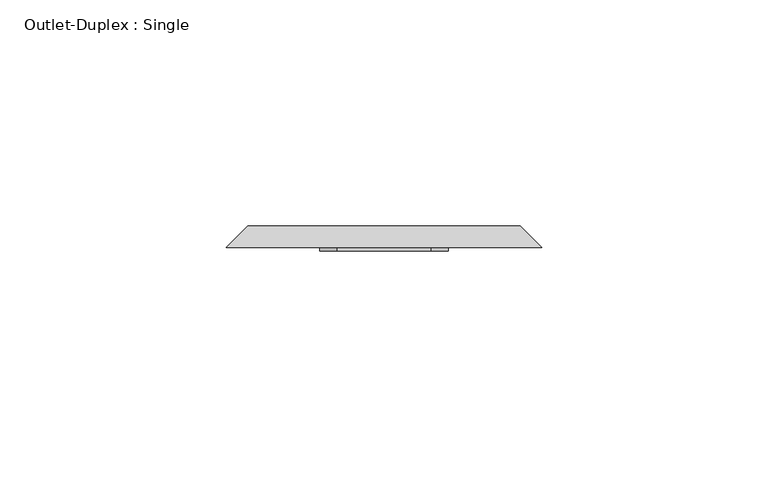
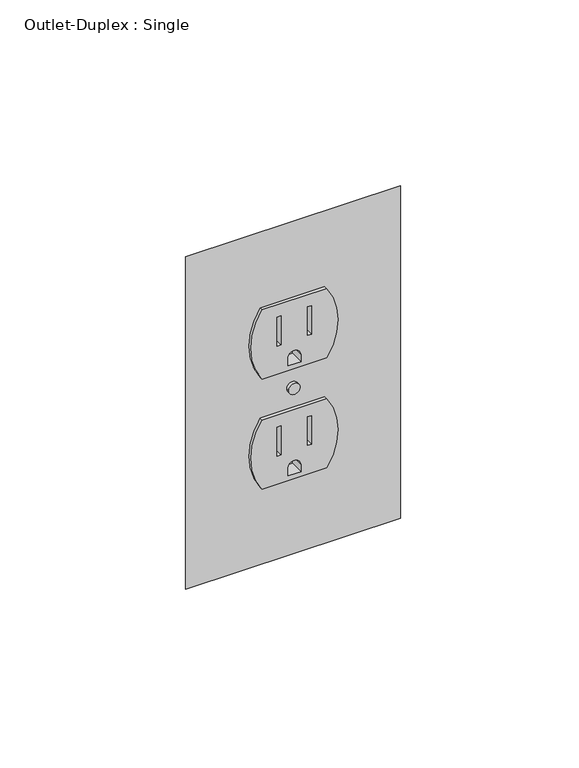
"""IFC4 building model written with IfcOpenShell, lengths in millimetres: proxy geometry, Outlet-Duplex : Single."""

import ifcopenshell
import ifcopenshell.guid

model = None  # the IFC model being written
_history = None  # IfcOwnerHistory: only IFC2X3 demands one
_inside = {}  # id of a spatial element -> (the spatial element, [elements in it])
_under = {}  # id of a project, library or spatial element -> (it, [spatial elements below it])
_declared = {}  # id of a project -> (the project, [libraries it declares])
_typed = {}  # id of a type object -> (the type object, [elements of that type])
_made_of = {}  # id of a material, layer set ... -> (it, [elements and type objects made of it])


def new_model(schema):
    """Start an empty IFC model of exactly this schema.

    Asked for "IFC4X3", IfcOpenShell would pick the latest addendum, in which some entities
    have other attributes; the version numbers below select the first issue.
    IFC2X3 requires an IfcOwnerHistory on every rooted entity: one is made here for all.
    """
    global model, _history
    if schema == "IFC4X3":
        model = ifcopenshell.file(schema_version=(4, 3, 0, 0))
    else:
        model = ifcopenshell.file(schema=schema)
    _inside.clear()
    _under.clear()
    _declared.clear()
    _typed.clear()
    _made_of.clear()
    _history = None
    if model.schema == "IFC2X3":
        org = make("IfcOrganization", Name="unknown")
        user = make(
            "IfcPersonAndOrganization",
            ThePerson=make("IfcPerson", FamilyName="unknown"),
            TheOrganization=org,
        )
        app = make(
            "IfcApplication",
            ApplicationDeveloper=org,
            Version="unknown",
            ApplicationFullName="unknown",
            ApplicationIdentifier="unknown",
        )
        _history = make(
            "IfcOwnerHistory",
            OwningUser=user,
            OwningApplication=app,
            ChangeAction="ADDED",
            CreationDate=0,
        )
    return model


def make(cls, **values):
    """One entity of the class cls with the attributes given. An attribute that is None is left unset."""
    return model.create_entity(
        cls, **{name: value for name, value in values.items() if value is not None}
    )


def rooted(cls, **values):
    """An entity with a GlobalId (a new one), such as an element, a storey or a relation."""
    return make(cls, GlobalId=ifcopenshell.guid.new(), OwnerHistory=_history, **values)


def si_unit(unit_type, name, prefix=None):
    """IfcSIUnit, for example si_unit("LENGTHUNIT", "METRE", prefix="MILLI")."""
    return make("IfcSIUnit", UnitType=unit_type, Prefix=prefix, Name=name)


def assignment(units):
    """IfcUnitAssignment: the units of a project."""
    return None if units is None else make("IfcUnitAssignment", Units=units)


def point(xyz):
    """IfcCartesianPoint."""
    return None if xyz is None else make("IfcCartesianPoint", Coordinates=xyz)


def direction(xyz):
    """IfcDirection."""
    return None if xyz is None else make("IfcDirection", DirectionRatios=xyz)


def frame(location, z_axis=None, x_axis=None):
    """IfcAxis2Placement3D, a coordinate frame: its origin and axes. An axis left out is left unset."""
    return make(
        "IfcAxis2Placement3D",
        Location=point(location),
        Axis=direction(z_axis),
        RefDirection=direction(x_axis),
    )


def frame_2d(location, x_axis=None):
    """IfcAxis2Placement2D, a coordinate frame in the plane: its origin and x axis."""
    return make(
        "IfcAxis2Placement2D", Location=point(location), RefDirection=direction(x_axis)
    )


def origin():
    """The frame at (0, 0, 0) with its axes left unset."""
    return frame((0.0, 0.0, 0.0))


def place(relative_to, where):
    """IfcLocalPlacement: puts the frame where relative to a parent placement (None: the world)."""
    return make(
        "IfcLocalPlacement", PlacementRelTo=relative_to, RelativePlacement=where
    )


def context(
    kind, dimensions, precision=None, world=None, true_north=None, identifier=None
):
    """IfcGeometricRepresentationContext, for example the 3D "Model" context."""
    return make(
        "IfcGeometricRepresentationContext",
        ContextIdentifier=identifier,
        ContextType=kind,
        CoordinateSpaceDimension=dimensions,
        Precision=precision,
        WorldCoordinateSystem=world,
        TrueNorth=true_north,
    )


def project(units=None, contexts=None):
    """IfcProject with its units and contexts."""
    return rooted(
        "IfcProject",
        Name="project",
        RepresentationContexts=contexts,
        UnitsInContext=assignment(units),
    )


def spatial(cls, under=None, at=None, **own):
    """A site, building, storey or space (cls), placed at a placement, below another one or the project."""
    s = rooted(cls, ObjectPlacement=at, **own)
    if under is not None:
        _under.setdefault(under.id(), (under, []))[1].append(s)
    return s


def polyline(points):
    """IfcPolyline through the points."""
    return make("IfcPolyline", Points=[point(p) for p in points])


def circle_curve(where, radius):
    """IfcCircle in the frame where."""
    return make("IfcCircle", Position=where, Radius=radius)


def trimmed(basis, trim1, trim2, sense, master):
    """IfcTrimmedCurve: the piece of a basis curve between two trims."""
    return make(
        "IfcTrimmedCurve",
        BasisCurve=basis,
        Trim1=trim1,
        Trim2=trim2,
        SenseAgreement=sense,
        MasterRepresentation=master,
    )


def segment(curve, same_sense, transition):
    """IfcCompositeCurveSegment."""
    return make(
        "IfcCompositeCurveSegment",
        Transition=transition,
        SameSense=same_sense,
        ParentCurve=curve,
    )


def composite_curve(segments, self_intersect=None):
    """IfcCompositeCurve: segments joined end to end."""
    return make("IfcCompositeCurve", Segments=segments, SelfIntersect=self_intersect)


def outline(outer, holes=None, kind="AREA"):
    """IfcArbitraryClosedProfileDef: a profile drawn as a closed curve; with holes, ...WithVoids."""
    if holes is None:
        return make("IfcArbitraryClosedProfileDef", ProfileType=kind, OuterCurve=outer)
    return make(
        "IfcArbitraryProfileDefWithVoids",
        ProfileType=kind,
        OuterCurve=outer,
        InnerCurves=holes,
    )


def extrude(swept, where, along, depth):
    """IfcExtrudedAreaSolid: the profile swept, set in the frame where, extruded along a direction by depth."""
    return make(
        "IfcExtrudedAreaSolid",
        SweptArea=swept,
        Position=where,
        ExtrudedDirection=direction(along),
        Depth=depth,
    )


def shape(context_of_items, identifier, shape_type, items):
    """IfcShapeRepresentation: the items that make up one representation, for example the "Body"."""
    return make(
        "IfcShapeRepresentation",
        ContextOfItems=context_of_items,
        RepresentationIdentifier=identifier,
        RepresentationType=shape_type,
        Items=items,
    )


def source(mapping_origin, context_of_items, identifier, shape_type, items):
    """IfcRepresentationMap: a shape defined once, which mapped items show again and again."""
    return make(
        "IfcRepresentationMap",
        MappingOrigin=mapping_origin,
        MappedRepresentation=shape(context_of_items, identifier, shape_type, items),
    )


def transform(
    local_origin,
    x_axis=None,
    y_axis=None,
    z_axis=None,
    scale=None,
    scale2=None,
    scale3=None,
    uniform=True,
):
    """IfcCartesianTransformationOperator3D, or its non-uniform kind. x_axis, y_axis, z_axis: its Axis1, 2, 3."""
    if uniform:
        return make(
            "IfcCartesianTransformationOperator3D",
            Axis1=direction(x_axis),
            Axis2=direction(y_axis),
            LocalOrigin=point(local_origin),
            Scale=scale,
            Axis3=direction(z_axis),
        )
    return make(
        "IfcCartesianTransformationOperator3DnonUniform",
        Axis1=direction(x_axis),
        Axis2=direction(y_axis),
        LocalOrigin=point(local_origin),
        Scale=scale,
        Axis3=direction(z_axis),
        Scale2=scale2,
        Scale3=scale3,
    )


def mapped(mapping_source, mapping_target):
    """IfcMappedItem: shows the shape of a source again, moved by a transform."""
    return make(
        "IfcMappedItem", MappingSource=mapping_source, MappingTarget=mapping_target
    )


def made_of(thing, what):
    """Note that an element or type object is made of a material, layer set ...; save() writes the relation."""
    if what is not None:
        _made_of.setdefault(what.id(), (what, []))[1].append(thing)
    return thing


def element(
    cls,
    number,
    at=None,
    inside=None,
    cuts=None,
    type_object=None,
    material=None,
    context=None,
    identifier="Body",
    shape_type=None,
    held_by="IfcProductDefinitionShape",
    body=None,
    shapes=None,
    **own,
):
    """One element of the class cls, such as IfcWall. Its Tag is "e" and its number.

    at: its placement. inside: the storey or other place that contains it. cuts: it is an
    opening in that element (IfcRelVoidsElement). A single representation is given by context,
    identifier, shape_type and body (its items); several are given by shapes. held_by: the class
    of the entity that holds the representations. save() writes the other relations.
    """
    e = rooted(cls, Tag="e%d" % number, ObjectPlacement=at, **own)
    if body is not None:
        shapes = [shape(context, identifier, shape_type, body)]
    if shapes is not None:
        e.Representation = make(held_by, Representations=shapes)
    if inside is not None:
        _inside.setdefault(inside.id(), (inside, []))[1].append(e)
    if cuts is not None:
        rooted(
            "IfcRelVoidsElement", RelatingBuildingElement=cuts, RelatedOpeningElement=e
        )
    if type_object is not None:
        _typed.setdefault(type_object.id(), (type_object, []))[1].append(e)
    return made_of(e, material)


def aggregate(whole, parts):
    """IfcRelAggregates: a whole, such as a stair, and the parts it consists of."""
    return rooted("IfcRelAggregates", RelatingObject=whole, RelatedObjects=parts)


def save(model, path):
    """Write the relations noted so far, then the file.

    IfcRelAggregates (storeys below a building ...), IfcRelContainedInSpatialStructure (elements
    in a storey), IfcRelDefinesByType, IfcRelAssociatesMaterial and IfcRelDeclares: one each for
    every whole, place, type object, material and project.
    """
    for whole, parts in _under.values():
        aggregate(whole, parts)
    for where, things in _inside.values():
        rooted(
            "IfcRelContainedInSpatialStructure",
            RelatedElements=things,
            RelatingStructure=where,
        )
    for kind, things in _typed.values():
        rooted("IfcRelDefinesByType", RelatedObjects=things, RelatingType=kind)
    for what, things in _made_of.values():
        rooted("IfcRelAssociatesMaterial", RelatedObjects=things, RelatingMaterial=what)
    for by, libraries in _declared.values():
        rooted("IfcRelDeclares", RelatingContext=by, RelatedDefinitions=libraries)
    model.write(path)


def plane_surface(at):
    """IfcPlane: the flat surface through the origin of the frame at, square to its z axis."""
    return make("IfcPlane", Position=at)


def revolved_surface(curve, axis_point, axis_direction):
    """IfcSurfaceOfRevolution: the curve turned about the line through axis_point along axis_direction."""
    return make(
        "IfcSurfaceOfRevolution",
        SweptCurve=make("IfcArbitraryOpenProfileDef", ProfileType="CURVE", Curve=curve),
        AxisPosition=make("IfcAxis1Placement", Location=point(axis_point), Axis=direction(axis_direction)),
    )


def advanced_brep(points, edges, surfaces, faces):
    """IfcAdvancedBrep: a solid bounded by faces that lie on surfaces and meet in shared edges.

    An edge is (start, end): straight between two places in points (the first is 0);
    or (start, end, curve); or (start, end, curve, False) where it runs against its curve.
    A face is (place in surfaces, loops), or (place, loops, False) where it looks against
    its surface's normal. A loop lists edges by number (the first is 1), with a minus sign
    where the edge is run from its end to its start. The first loop is the outer one.
    """
    corners = [point(p) for p in points]
    vertices = [make("IfcVertexPoint", VertexGeometry=c) for c in corners]
    made = []
    for start, end, *more in edges:
        made.append(
            make(
                "IfcEdgeCurve",
                EdgeStart=vertices[start],
                EdgeEnd=vertices[end],
                EdgeGeometry=more[0] if more else make("IfcPolyline", Points=[corners[start], corners[end]]),
                SameSense=more[1] if len(more) > 1 else True,
            )
        )
    hull = []
    for where, loops, *sense in faces:
        bounds = []
        for j, loop in enumerate(loops):
            ring = [make("IfcOrientedEdge", EdgeElement=made[abs(k) - 1], Orientation=k > 0) for k in loop]
            bounds.append(
                make(
                    "IfcFaceOuterBound" if j == 0 else "IfcFaceBound",
                    Bound=make("IfcEdgeLoop", EdgeList=ring),
                    Orientation=True,
                )
            )
        hull.append(make("IfcAdvancedFace", Bounds=bounds, FaceSurface=surfaces[where], SameSense=sense[0] if sense else True))
    return make("IfcAdvancedBrep", Outer=make("IfcClosedShell", CfsFaces=hull))


def outlet_duplex_single_2518d442(model_context):
    return source(origin(), model_context, "Body", "SolidModel", [
        extrude(outline(composite_curve([segment(polyline([(273.9614857, -10.4931617), (273.9614857, 10.4931617)]), True, "CONTINUOUS"), segment(trimmed(circle_curve(frame_2d((285.8677357, -6.8576098)), 21.043005), [point((273.9614857, 10.4931617))], [point((297.7739857, 10.4931617))], False, "CARTESIAN"), True, "CONTINUOUS"), segment(polyline([(297.7739857, 10.4931617), (297.7739857, -10.4931617)]), True, "CONTINUOUS"), segment(trimmed(circle_curve(frame_2d((285.8677357, 6.8576098)), 21.043005), [point((297.7739857, -10.4931617))], [point((273.9614857, -10.4931617))], False, "CARTESIAN"), True, "CONTINUOUS")], self_intersect=False), holes=[polyline([(283.8450983, 5.6261139), (283.8450983, 4.3502847), (293.6358342, 4.3502847), (293.6358342, 5.6261139), (283.8450983, 5.6261139)]), polyline([(283.6466608, -5.6261139), (293.6358342, -5.6261139), (293.6358342, -4.3502847), (283.6466608, -4.3502847), (283.6466608, -5.6261139)]), composite_curve([segment(polyline([(275.5679027, 2.0747584), (275.5679027, -2.0747584), (278.0820784, -2.0747584)]), True, "CONTINUOUS"), segment(trimmed(circle_curve(frame_2d((278.0820784, 0.0)), 2.0747584), [point((278.0820784, -2.0747584))], [point((278.0820784, 2.0747584))], True, "CARTESIAN"), True, "CONTINUOUS"), segment(polyline([(278.0820784, 2.0747584), (275.5679027, 2.0747584)]), True, "CONTINUOUS")], self_intersect=False)]), frame((0.0, 154.1768591, 0.0), z_axis=(0.0, 1.0, 0.0), x_axis=(0.0, 0.0, 1.0)), (0.0, 0.0, 1.0), 4.7441942),
        extrude(outline(composite_curve([segment(trimmed(circle_curve(frame_2d((323.7322643, 6.8576098)), 21.043005), [point((335.6385143, -10.4931617))], [point((311.8260143, -10.4931617))], False, "CARTESIAN"), True, "CONTINUOUS"), segment(polyline([(311.8260143, -10.4931617), (311.8260143, 10.4931617)]), True, "CONTINUOUS"), segment(trimmed(circle_curve(frame_2d((323.7322643, -6.8576098)), 21.043005), [point((311.8260143, 10.4931617))], [point((335.6385143, 10.4931617))], False, "CARTESIAN"), True, "CONTINUOUS"), segment(polyline([(335.6385143, 10.4931617), (335.6385143, -10.4931617)]), True, "CONTINUOUS")], self_intersect=False), holes=[polyline([(321.709627, 5.6261139), (321.709627, 4.3502847), (331.5003629, 4.3502847), (331.5003629, 5.6261139), (321.709627, 5.6261139)]), polyline([(321.5111895, -5.6261139), (331.5003629, -5.6261139), (331.5003629, -4.3502847), (321.5111895, -4.3502847), (321.5111895, -5.6261139)]), composite_curve([segment(polyline([(313.4324314, 2.0747584), (313.4324314, -2.0747584), (315.9466071, -2.0747584)]), True, "CONTINUOUS"), segment(trimmed(circle_curve(frame_2d((315.9466071, 0.0)), 2.0747584), [point((315.9466071, -2.0747584))], [point((315.9466071, 2.0747584))], True, "CARTESIAN"), True, "CONTINUOUS"), segment(polyline([(315.9466071, 2.0747584), (313.4324314, 2.0747584)]), True, "CONTINUOUS")], self_intersect=False)]), frame((0.0, 154.1768591, 0.0), z_axis=(0.0, 1.0, 0.0), x_axis=(0.0, 0.0, 1.0)), (0.0, 0.0, 1.0), 4.7441942),
        extrude(outline(composite_curve([segment(trimmed(circle_curve(frame_2d((304.8, 0.0)), 1.8474562), [point((304.8, -1.8474562))], [point((304.8, 1.8474562))], False, "CARTESIAN"), True, "CONTINUOUS"), segment(trimmed(circle_curve(frame_2d((304.8, 0.0)), 1.8474562), [point((304.8, 1.8474562))], [point((304.8, -1.8474562))], False, "CARTESIAN"), True, "CONTINUOUS")], self_intersect=False)), frame((0.0, 154.1768591, 0.0), z_axis=(0.0, 1.0, 0.0), x_axis=(0.0, 0.0, 1.0)), (0.0, 0.0, 1.0), 4.7441942),
        advanced_brep(
        [(-30.1625, 159.7375, 357.1875), (30.1625, 159.7375, 357.1875), (30.1625, 159.7375, 252.4125), (-30.1625, 159.7375, 252.4125), (10.4931617, 159.7375, 311.8260143), (10.4931617, 159.7375, 335.6385143), (-10.4931617, 159.7375, 335.6385143), (-10.4931617, 159.7375, 311.8260143), (-10.4931617, 159.7375, 297.7739857), (-10.4931617, 159.7375, 273.9614857), (10.4931617, 159.7375, 273.9614857), (10.4931617, 159.7375, 297.7739857), (1.8474562, 159.7375, 304.8), (-1.8474562, 159.7375, 304.8), (-34.925, 154.975, 361.95), (-34.925, 154.975, 247.65), (34.925, 154.975, 247.65), (34.925, 154.975, 361.95), (10.4931617, 154.975, 335.6385143), (10.4931617, 154.975, 311.8260143), (-10.4931617, 154.975, 311.8260143), (-10.4931617, 154.975, 335.6385143), (-10.4931617, 154.975, 273.9614857), (-10.4931617, 154.975, 297.7739857), (10.4931617, 154.975, 297.7739857), (10.4931617, 154.975, 273.9614857), (-1.8474562, 154.975, 304.8), (1.8474562, 154.975, 304.8)],
        [
            (0, 1),
            (1, 2),
            (2, 3),
            (3, 0),
            (4, 5, circle_curve(frame((-6.8576098, 159.7375, 323.7322643), z_axis=(0.0, -1.0, 0.0), x_axis=(1.0, 0.0, 0.0)), 21.043005)),
            (5, 6),
            (6, 7, circle_curve(frame((6.8576098, 159.7375, 323.7322643), z_axis=(0.0, -1.0, 0.0), x_axis=(1.0, 0.0, 0.0)), 21.043005)),
            (7, 4),
            (8, 9, circle_curve(frame((6.8576098, 159.7375, 285.8677357), z_axis=(0.0, -1.0, 0.0), x_axis=(1.0, 0.0, 0.0)), 21.043005)),
            (9, 10),
            (10, 11, circle_curve(frame((-6.8576098, 159.7375, 285.8677357), z_axis=(0.0, -1.0, 0.0), x_axis=(1.0, 0.0, 0.0)), 21.043005)),
            (11, 8),
            (12, 13, circle_curve(frame((0.0, 159.7375, 304.8), z_axis=(0.0, -1.0, 0.0), x_axis=(1.0, 0.0, 0.0)), 1.8474562)),
            (13, 12, circle_curve(frame((0.0, 159.7375, 304.8), z_axis=(0.0, -1.0, 0.0), x_axis=(1.0, 0.0, 0.0)), 1.8474562)),
            (14, 15),
            (15, 16),
            (16, 17),
            (17, 14),
            (18, 19, circle_curve(frame((-6.8576098, 154.975, 323.7322643), z_axis=(0.0, 1.0, 0.0), x_axis=(1.0, 0.0, 0.0)), 21.043005)),
            (19, 20),
            (20, 21, circle_curve(frame((6.8576098, 154.975, 323.7322643), z_axis=(0.0, 1.0, 0.0), x_axis=(1.0, 0.0, 0.0)), 21.043005)),
            (21, 18),
            (22, 23, circle_curve(frame((6.8576098, 154.975, 285.8677357), z_axis=(0.0, 1.0, 0.0), x_axis=(1.0, 0.0, 0.0)), 21.043005)),
            (23, 24),
            (24, 25, circle_curve(frame((-6.8576098, 154.975, 285.8677357), z_axis=(0.0, 1.0, 0.0), x_axis=(1.0, 0.0, 0.0)), 21.043005)),
            (25, 22),
            (26, 27, circle_curve(frame((0.0, 154.975, 304.8), z_axis=(0.0, 1.0, 0.0), x_axis=(1.0, 0.0, 0.0)), 1.8474562)),
            (27, 26, circle_curve(frame((0.0, 154.975, 304.8), z_axis=(0.0, 1.0, 0.0), x_axis=(1.0, 0.0, 0.0)), 1.8474562)),
            (0, 14),
            (17, 1),
            (16, 2),
            (15, 3),
            (4, 19),
            (18, 5),
            (21, 6),
            (20, 7),
            (8, 23),
            (22, 9),
            (25, 10),
            (24, 11),
            (12, 27),
            (26, 13),
        ],
        [
            plane_surface(frame((0.0, 159.7375, 304.8), z_axis=(0.0, 1.0, 0.0), x_axis=(0.0, 0.0, -1.0))),
            plane_surface(frame((0.0, 154.975, 304.8), z_axis=(0.0, -1.0, 0.0), x_axis=(0.0, 0.0, -1.0))),
            plane_surface(frame((0.0, 154.975, 361.95), z_axis=(0.0, 0.7071067811867133, 0.7071067811863817), x_axis=(1.0, 0.0, 0.0))),
            plane_surface(frame((34.925, 154.975, 304.8), z_axis=(0.7071067811863652, 0.70710678118673, 0.0), x_axis=(0.0, 0.0, -1.0))),
            plane_surface(frame((0.0, 154.975, 247.65), z_axis=(0.0, 0.7071067811867561, -0.7071067811863391), x_axis=(-1.0, 0.0, 0.0))),
            plane_surface(frame((-34.925, 154.975, 304.8), z_axis=(-0.7071067811862279, 0.7071067811868672, 0.0), x_axis=(0.0, 0.0, 1.0))),
            revolved_surface(polyline([(14.185395200000002, 154.975, 323.7322643), (14.185395200000002, 159.7375, 323.7322643)]), (-6.8576098, 205.759307, 323.7322643), (0.0, -1.0, 0.0)),
            plane_surface(frame((10.4931617, -145.0625, 335.6385143), z_axis=(0.0, 0.0, -1.0), x_axis=(0.0, 1.0, 0.0))),
            revolved_surface(polyline([(27.9006148, 154.975, 323.7322643), (27.9006148, 159.7375, 323.7322643)]), (6.8576098, 205.759307, 323.7322643), (0.0, -1.0, 0.0)),
            plane_surface(frame((-10.4931617, -145.0625, 311.8260143), z_axis=(0.0, 0.0, 1.0), x_axis=(0.0, 1.0, 0.0))),
            revolved_surface(polyline([(27.9006148, 154.975, 285.8677357), (27.9006148, 159.7375, 285.8677357)]), (6.8576098, 159.7375, 285.8677357), (0.0, -1.0, 0.0)),
            plane_surface(frame((-10.4931617, -145.0625, 273.9614857), z_axis=(0.0, 0.0, 1.0), x_axis=(0.0, 1.0, 0.0))),
            revolved_surface(polyline([(14.185395200000002, 154.975, 285.8677357), (14.185395200000002, 159.7375, 285.8677357)]), (-6.8576098, 159.7375, 285.8677357), (0.0, -1.0, 0.0)),
            plane_surface(frame((10.4931617, -145.0625, 297.7739857), z_axis=(0.0, 0.0, -1.0), x_axis=(0.0, 1.0, 0.0))),
            revolved_surface(polyline([(1.8474562, 154.975, 304.8), (1.8474562, 159.7375, 304.8)]), (0.0, 159.7375, 304.8), (0.0, -1.0, 0.0)),
        ],
        [
            (0, [[1, 2, 3, 4], [5, 6, 7, 8], [9, 10, 11, 12], [13, 14]]),
            (1, [[15, 16, 17, 18], [19, 20, 21, 22], [23, 24, 25, 26], [27, 28]]),
            (2, [[-1, 29, -18, 30]]),
            (3, [[-2, -30, -17, 31]]),
            (4, [[-3, -31, -16, 32]]),
            (5, [[-4, -32, -15, -29]]),
            (6, [[33, -19, 34, -5]]),
            (7, [[-34, -22, 35, -6]]),
            (8, [[-35, -21, 36, -7]]),
            (9, [[-33, -8, -36, -20]]),
            (10, [[37, -23, 38, -9]]),
            (11, [[-38, -26, 39, -10]]),
            (12, [[-39, -25, 40, -11]]),
            (13, [[-37, -12, -40, -24]]),
            (14, [[41, -27, 42, -13]]),
            (14, [[-41, -14, -42, -28]]),
        ],
    ),
    ])


if __name__ == "__main__":
    model = new_model("IFC4")
    model_context = context("Model", 3, world=origin())
    ifc_project = project(units=[si_unit("LENGTHUNIT", "METRE", prefix="MILLI")], contexts=[model_context])
    site = spatial("IfcSite", under=ifc_project)
    building = spatial("IfcBuilding", under=site)
    placement = place(None, origin())
    outlet_duplex_single_shape = outlet_duplex_single_2518d442(model_context)
    element("IfcBuildingElementProxy", 1, Name="Outlet-Duplex : Single", ObjectType="Outlet-Duplex : Single", at=placement, inside=building, context=model_context, shape_type="MappedRepresentation", body=[
        mapped(outlet_duplex_single_shape, transform((0.0, 0.0, 0.0), x_axis=(1.0, 0.0, 0.0), y_axis=(0.0, 1.0, 0.0), z_axis=(0.0, 0.0, 1.0))),
    ])
    save(model, "model.ifc")
